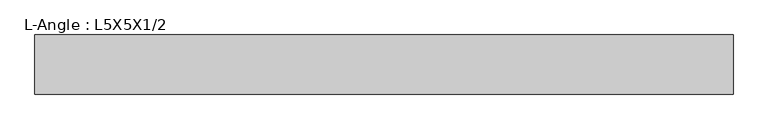
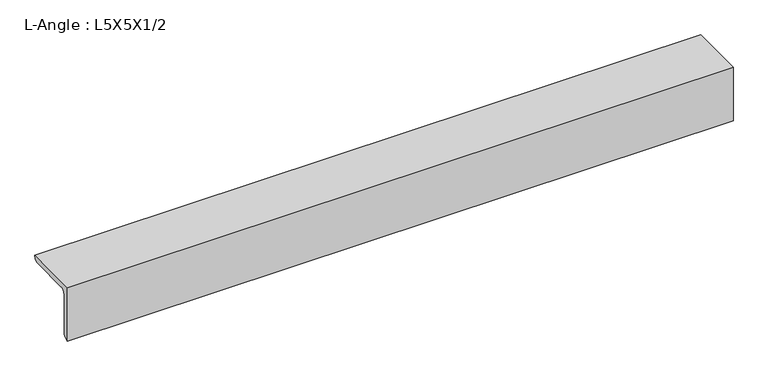
"""IFC4 building model written with IfcOpenShell, lengths in millimetres: beam geometry, L-Angle : L5X5X1/2."""

from ifc_helpers import new_model, si_unit, point, frame, frame_2d, origin, place, context, project, spatial, polyline, circle_curve, trimmed, segment, composite_curve, outline, extrude, source, transform, mapped, element, save


def l_angle_l5x5x1_2_eef5d511(model_context):
    return source(origin(), model_context, "Body", "SweptSolid", [
        extrude(outline(composite_curve([segment(polyline([(-36.068, 36.068), (90.932, 36.068)]), True, "CONTINUOUS"), segment(trimmed(circle_curve(frame_2d((78.232, 36.068)), 12.7), [point((90.932, 36.068))], [point((78.232, 23.368))], False, "CARTESIAN"), True, "CONTINUOUS"), segment(polyline([(78.232, 23.368), (-10.668, 23.368)]), True, "CONTINUOUS"), segment(trimmed(circle_curve(frame_2d((-10.668, 10.668)), 12.7), [point((-10.668, 23.368))], [point((-23.368, 10.668))], True, "CARTESIAN"), True, "CONTINUOUS"), segment(polyline([(-23.368, 10.668), (-23.368, -78.232)]), True, "CONTINUOUS"), segment(trimmed(circle_curve(frame_2d((-36.068, -78.232)), 12.7), [point((-23.368, -78.232))], [point((-36.068, -90.932))], False, "CARTESIAN"), True, "CONTINUOUS"), segment(polyline([(-36.068, -90.932), (-36.068, 36.068)]), True, "CONTINUOUS")], self_intersect=False)), frame((-718.4612619, 0.0, 0.0), z_axis=(1.0, 0.0, 0.0), x_axis=(0.0, 1.0, 0.0)), (0.0, 0.0, 1.0), 1498.8071654),
    ])


if __name__ == "__main__":
    model = new_model("IFC4")
    model_context = context("Model", 3, world=origin())
    ifc_project = project(units=[si_unit("LENGTHUNIT", "METRE", prefix="MILLI")], contexts=[model_context])
    site = spatial("IfcSite", under=ifc_project)
    building = spatial("IfcBuilding", under=site)
    placement = place(None, origin())
    l_angle_l5x5x1_2_shape = l_angle_l5x5x1_2_eef5d511(model_context)
    element("IfcBeam", 1, ObjectType="L-Angle : L5X5X1/2", at=placement, inside=building, context=model_context, shape_type="MappedRepresentation", body=[
        mapped(l_angle_l5x5x1_2_shape, transform((0.0, 0.0, 0.0), x_axis=(1.0, 0.0, 0.0), y_axis=(0.0, 1.0, 0.0), z_axis=(0.0, 0.0, 1.0))),
    ])
    save(model, "model.ifc")
